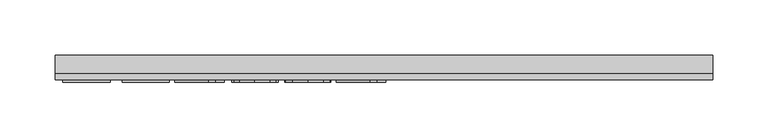
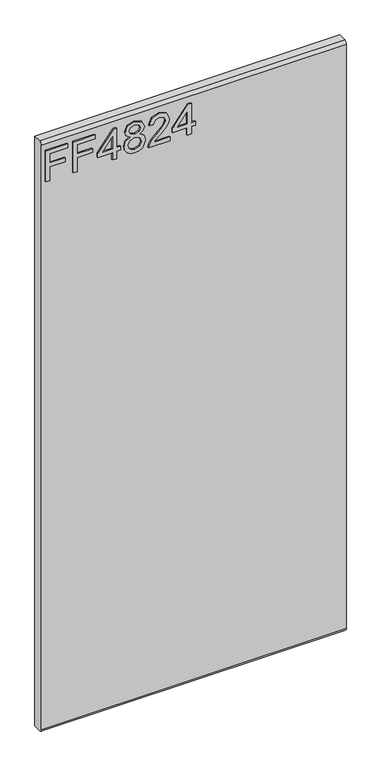
"""IFC4 building model written with IfcOpenShell, lengths in millimetres: furniture geometry."""

from ifc_helpers import new_model, si_unit, frame, origin, place, context, project, spatial, polyline, circle_curve, outline, extrude, source, transform, mapped, element, save
from ifc_brep_helpers import plane_surface, cylinder_surface, advanced_brep


def furniture_dd09b1a8(model_context):
    return source(origin(), model_context, "Body", "SolidModel", [
        extrude(outline(polyline([(1289.05, -291.4729953), (1289.05, -283.4992757), (1317.9547336, -283.4992757), (1317.9547336, -253.5978271), (1325.9284532, -253.5978271), (1325.9284532, -283.4992757), (1344.8660373, -283.4992757), (1344.8660373, -248.6142524), (1352.8397569, -248.6142524), (1352.8397569, -291.4729953), (1289.05, -291.4729953)])), frame((0.0, -15.0812439, 0.0), z_axis=(0.0, 1.0, 0.0), x_axis=(0.0, 0.0, 1.0)), (0.0, 0.0, 1.0), 2.38125),
        extrude(outline(polyline([(1289.05, -237.6503879), (1289.05, -229.6766683), (1317.9547336, -229.6766683), (1317.9547336, -199.7752197), (1325.9284532, -199.7752197), (1325.9284532, -229.6766683), (1344.8660373, -229.6766683), (1344.8660373, -194.791645), (1352.8397569, -194.791645), (1352.8397569, -237.6503879), (1289.05, -237.6503879)])), frame((0.0, -15.0812439, 0.0), z_axis=(0.0, 1.0, 0.0), x_axis=(0.0, 0.0, 1.0)), (0.0, 0.0, 1.0), 2.38125),
        extrude(outline(polyline([(1289.05, -160.9033366), (1289.05, -152.929617), (1304.0007243, -152.929617), (1304.0007243, -144.9558974), (1311.9744439, -144.9558974), (1311.9744439, -152.929617), (1351.843042, -152.929617), (1351.843042, -158.9099067), (1311.9744439, -189.8080702), (1304.0007243, -189.8080702), (1304.0007243, -160.9033366), (1289.05, -160.9033366)]), holes=[polyline([(1311.9744439, -160.9033366), (1311.9744439, -179.9966574), (1336.6119916, -160.9033366), (1311.9744439, -160.9033366)])]), frame((0.0, -15.0812439, 0.0), z_axis=(0.0, 1.0, 0.0), x_axis=(0.0, 0.0, 1.0)), (0.0, 0.0, 1.0), 2.38125),
        extrude(outline(polyline([(1324.1842021, -126.360934), (1318.3907964, -134.9576005), (1307.8318474, -137.9788927), (1300.0742125, -136.5383281), (1293.7143145, -132.2166344), (1289.4685424, -125.5433163), (1288.053285, -117.0478787), (1289.4627023, -108.5524411), (1293.690954, -101.879123), (1307.613816, -96.1168647), (1317.9313731, -99.0213544), (1324.1842021, -107.5012183), (1329.113269, -100.4385584), (1336.6275653, -98.1102946), (1348.1209346, -103.3430481), (1352.8397569, -117.1568944), (1348.2299503, -130.8461513), (1336.8455967, -135.9854628), (1329.1366295, -133.6260516), (1324.1842021, -126.360934)]), holes=[polyline([(1336.6119916, -128.0117432), (1342.4365446, -125.1384008), (1344.8660373, -117.0478787), (1342.3820368, -108.980717), (1336.2537972, -106.0840142), (1330.3358022, -108.887275), (1327.9218831, -116.9544367), (1330.3513758, -125.1851219), (1336.6119916, -128.0117432)]), polyline([(1308.1121735, -130.0051731), (1316.5686769, -126.6334733), (1319.9481635, -117.2503364), (1316.5219559, -107.5946603), (1307.8629947, -104.0905843), (1299.3675571, -107.4856446), (1296.0270047, -116.985584), (1297.6155191, -123.9625887), (1302.1085232, -128.6736242), (1308.1121735, -130.0051731)])]), frame((0.0, -15.0812439, 0.0), z_axis=(0.0, 1.0, 0.0), x_axis=(0.0, 0.0, 1.0)), (0.0, 0.0, 1.0), 2.38125),
        extrude(outline(polyline([(1297.0237196, -48.274547), (1297.0237196, -79.5931996), (1301.0806609, -75.9956816), (1308.750694, -66.8227893), (1319.6756243, -55.3995015), (1327.4936072, -50.688466), (1335.0546245, -49.2712619), (1347.7315928, -54.5273759), (1352.8397569, -68.8006455), (1348.245524, -83.0271941), (1334.8988878, -89.13986), (1333.9021729, -81.1661404), (1341.9537608, -77.8100143), (1344.8660373, -68.9719559), (1341.8836793, -60.492092), (1334.5718407, -57.2449816), (1325.5391115, -60.6867629), (1312.25477, -74.4538881), (1303.0117962, -84.4366113), (1294.5475059, -89.2800231), (1289.05, -90.136575), (1289.05, -48.274547), (1297.0237196, -48.274547)])), frame((0.0, -15.0812439, 0.0), z_axis=(0.0, 1.0, 0.0), x_axis=(0.0, 0.0, 1.0)), (0.0, 0.0, 1.0), 2.38125),
        extrude(outline(polyline([(1289.05, -14.3862386), (1289.05, -6.412519), (1304.0007243, -6.412519), (1304.0007243, 1.5612006), (1311.9744439, 1.5612006), (1311.9744439, -6.412519), (1351.843042, -6.412519), (1351.843042, -12.3928087), (1311.9744439, -43.2909722), (1304.0007243, -43.2909722), (1304.0007243, -14.3862386), (1289.05, -14.3862386)]), holes=[polyline([(1311.9744439, -14.3862386), (1311.9744439, -33.4795594), (1336.6119916, -14.3862386), (1311.9744439, -14.3862386)])]), frame((0.0, -15.0812439, 0.0), z_axis=(0.0, 1.0, 0.0), x_axis=(0.0, 0.0, 1.0)), (0.0, 0.0, 1.0), 2.38125),
        advanced_brep(
        [(298.45, 9.5250061, 1371.6), (298.45, -6.7309939, 1371.6), (298.45, -12.6999939, 1365.631), (298.45, -12.6999939, 158.369), (298.45, -6.7309939, 152.4), (298.45, 9.5250061, 152.4), (-298.45, 9.5250061, 1371.6), (-298.45, 9.5250061, 152.4), (-298.45, -6.7309939, 152.4), (-298.45, -12.6999939, 158.369), (-298.45, -12.6999939, 1365.6310121), (-298.45, -6.7309939, 1371.6)],
        [
            (0, 1),
            (1, 2, circle_curve(frame((298.45, -6.7309939, 1365.631), z_axis=(1.0, 0.0, 0.0), x_axis=(0.0, 1.0, 0.0)), 5.969)),
            (2, 3),
            (3, 4, circle_curve(frame((298.45, -6.7309939, 158.369), z_axis=(1.0, 0.0, 0.0), x_axis=(0.0, 1.0, 0.0)), 5.969)),
            (4, 5),
            (5, 0),
            (6, 7),
            (7, 8),
            (8, 9, circle_curve(frame((-298.45, -6.7309939, 158.369), z_axis=(-1.0, 0.0, 0.0), x_axis=(0.0, 1.0, 0.0)), 5.969)),
            (9, 10),
            (10, 11, circle_curve(frame((-298.45, -6.7309939, 1365.631), z_axis=(-1.0, 0.0, 0.0), x_axis=(0.0, 1.0, 0.0)), 5.969)),
            (11, 6),
            (0, 6),
            (11, 1),
            (10, 2),
            (9, 3),
            (8, 4),
            (7, 5),
        ],
        [
            plane_surface(frame((298.45, -6.7309939, 1371.6), z_axis=(1.0, 0.0, 0.0), x_axis=(0.0, -1.0, 0.0))),
            plane_surface(frame((-298.45, -6.7309939, 1371.6), z_axis=(-1.0, 0.0, 0.0), x_axis=(0.0, 1.0, 0.0))),
            plane_surface(frame((298.45, 9.5250061, 1371.6), z_axis=(0.0, 0.0, 1.0), x_axis=(-1.0, 0.0, 0.0))),
            cylinder_surface(frame((-298.45, -6.7309939, 1365.631), z_axis=(1.0, 0.0, 0.0), x_axis=(0.0, 1.0, 0.0)), 5.969),
            plane_surface(frame((298.45, -12.6999939, 1365.6310121), z_axis=(0.0, -1.0, 0.0), x_axis=(-1.0, 0.0, 0.0))),
            cylinder_surface(frame((-298.45, -6.7309939, 158.369), z_axis=(1.0, 0.0, 0.0), x_axis=(0.0, 1.0, 0.0)), 5.969),
            plane_surface(frame((298.45, -6.7309939, 152.4), z_axis=(0.0, 0.0, -1.0), x_axis=(-1.0, 0.0, 0.0))),
            plane_surface(frame((298.45, 9.5250061, 152.4), z_axis=(0.0, 1.0, 0.0), x_axis=(-1.0, 0.0, 0.0))),
        ],
        [
            (0, [[1, 2, 3, 4, 5, 6]]),
            (1, [[7, 8, 9, 10, 11, 12]]),
            (2, [[-1, 13, -12, 14]]),
            (3, [[-2, -14, -11, 15]]),
            (4, [[-3, -15, -10, 16]]),
            (5, [[-4, -16, -9, 17]]),
            (6, [[-5, -17, -8, 18]]),
            (7, [[-6, -18, -7, -13]]),
        ],
    ),
    ])


if __name__ == "__main__":
    model = new_model("IFC4")
    model_context = context("Model", 3, world=origin())
    ifc_project = project(units=[si_unit("LENGTHUNIT", "METRE", prefix="MILLI")], contexts=[model_context])
    site = spatial("IfcSite", under=ifc_project)
    building = spatial("IfcBuilding", under=site)
    placement = place(None, origin())
    furniture_shape = furniture_dd09b1a8(model_context)
    element("IfcFurniture", 1, at=placement, inside=building, context=model_context, shape_type="MappedRepresentation", body=[
        mapped(furniture_shape, transform((0.0, 0.0, 0.0), x_axis=(1.0, 0.0, 0.0), y_axis=(0.0, 1.0, 0.0), z_axis=(0.0, 0.0, 1.0))),
    ])
    save(model, "model.ifc")
